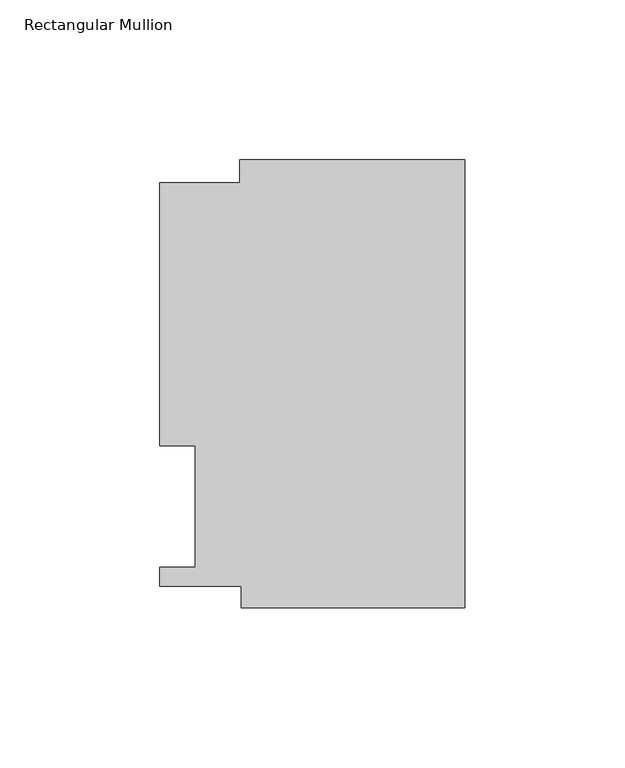
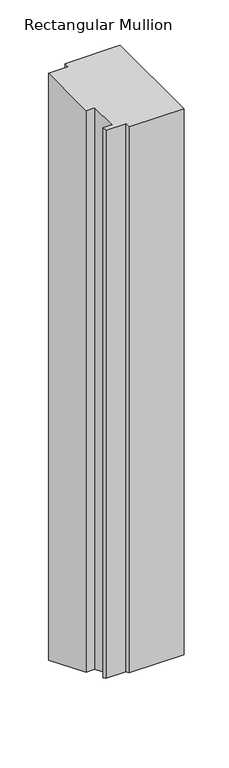
"""IFC4 building model written with IfcOpenShell, lengths in millimetres: member geometry, Rectangular Mullion."""

from ifc_helpers import new_model, si_unit, origin, place, context, project, spatial, faceted_brep, source, transform, mapped, element, save


def rectangular_mullion_a4a2e807(model_context):
    return source(origin(), model_context, "Body", "Brep", [
        faceted_brep([(-70.3072, 133.731, 0.0), (-70.3072, 126.619, 0.0), (-95.25, 126.619, 0.0), (-95.25, 44.45, 0.0), (-84.1375, 44.45, 0.0), (-84.1375, 6.35, 0.0), (-95.25, 6.35, 0.0), (-95.25, 0.4064, 0.0), (-69.85, 0.4064, 0.0), (-69.85, -6.2260979, 0.0), (0.0, -6.2260979, 0.0), (0.0, 133.731, 0.0), (-70.3072, 133.731, -791.1436039), (-70.3072, 126.619, -788.197717), (-95.25, 126.619, -788.197717), (-95.25, 44.45, -754.1622028), (-84.1375, 44.45, -754.1622028), (-84.1375, 6.35, -738.3806661), (-95.25, 6.35, -738.3806661), (-95.25, 0.4064, -735.9187464), (-69.85, 0.4064, -735.9187464), (-69.85, -6.2260979, -733.1714758), (0.0, -6.2260979, -733.1714758), (0.0, 133.731, -791.1436039)], [[[0, 1, 2, 3, 4, 5, 6, 7, 8, 9, 10, 11]], [[1, 0, 12, 13]], [[2, 1, 13, 14]], [[3, 2, 14, 15]], [[4, 3, 15, 16]], [[5, 4, 16, 17]], [[6, 5, 17, 18]], [[7, 6, 18, 19]], [[8, 7, 19, 20]], [[9, 8, 20, 21]], [[10, 9, 21, 22]], [[11, 10, 22, 23]], [[0, 11, 23, 12]], [[12, 23, 22, 21, 20, 19, 18, 17, 16, 15, 14, 13]]]),
    ])


if __name__ == "__main__":
    model = new_model("IFC4")
    model_context = context("Model", 3, world=origin())
    ifc_project = project(units=[si_unit("LENGTHUNIT", "METRE", prefix="MILLI")], contexts=[model_context])
    site = spatial("IfcSite", under=ifc_project)
    building = spatial("IfcBuilding", under=site)
    placement = place(None, origin())
    rectangular_mullion_shape = rectangular_mullion_a4a2e807(model_context)
    element("IfcMember", 1, ObjectType="Rectangular Mullion", at=placement, inside=building, context=model_context, shape_type="MappedRepresentation", body=[
        mapped(rectangular_mullion_shape, transform((0.0, 0.0, 0.0), x_axis=(1.0, 0.0, 0.0), y_axis=(0.0, 1.0, 0.0), z_axis=(0.0, 0.0, 1.0))),
    ])
    save(model, "model.ifc")
